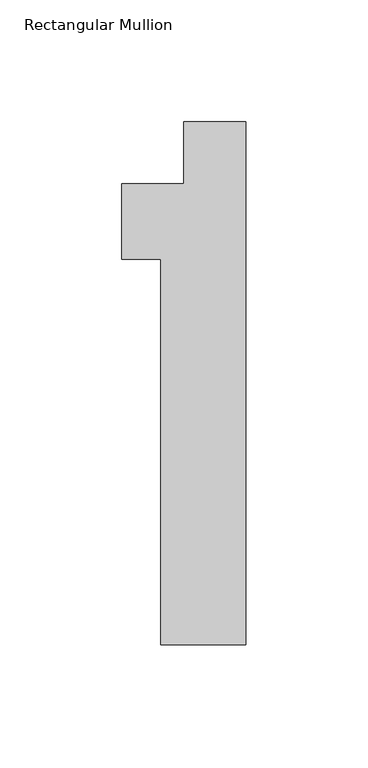
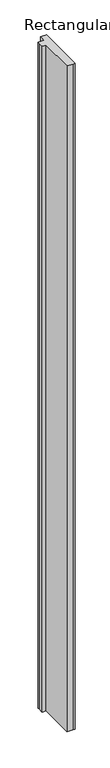
"""IFC4 building model written with IfcOpenShell, lengths in millimetres: member geometry, Rectangular Mullion."""

from ifc_helpers import new_model, si_unit, frame, origin, place, context, project, spatial, polyline, outline, extrude, source, transform, mapped, element, save


def rectangular_mullion_c453dbec(model_context):
    return source(origin(), model_context, "Body", "SweptSolid", [
        extrude(outline(polyline([(-9.525, 0.0), (0.0, 0.0), (0.0, -214.376), (-9.525, -214.376), (-34.925, -214.376), (-34.925, -56.388), (-50.8, -56.388), (-50.8, -31.75), (-50.8, -25.4), (-25.4000001, -25.4), (-25.4000001, 0.0), (-12.7, 0.0), (-9.525, 0.0)])), frame((0.0, 0.0, -3048.0), z_axis=(0.0, 0.0, 1.0), x_axis=(1.0, 0.0, 0.0)), (0.0, 0.0, 1.0), 3048.0),
    ])


if __name__ == "__main__":
    model = new_model("IFC4")
    model_context = context("Model", 3, world=origin())
    ifc_project = project(units=[si_unit("LENGTHUNIT", "METRE", prefix="MILLI")], contexts=[model_context])
    site = spatial("IfcSite", under=ifc_project)
    building = spatial("IfcBuilding", under=site)
    placement = place(None, origin())
    rectangular_mullion_shape = rectangular_mullion_c453dbec(model_context)
    element("IfcMember", 1, ObjectType="Rectangular Mullion", at=placement, inside=building, context=model_context, shape_type="MappedRepresentation", body=[
        mapped(rectangular_mullion_shape, transform((0.0, 0.0, 0.0), x_axis=(1.0, 0.0, 0.0), y_axis=(0.0, 1.0, 0.0), z_axis=(0.0, 0.0, 1.0))),
    ])
    save(model, "model.ifc")
